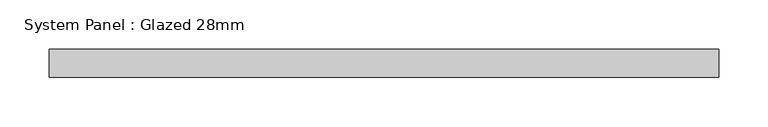
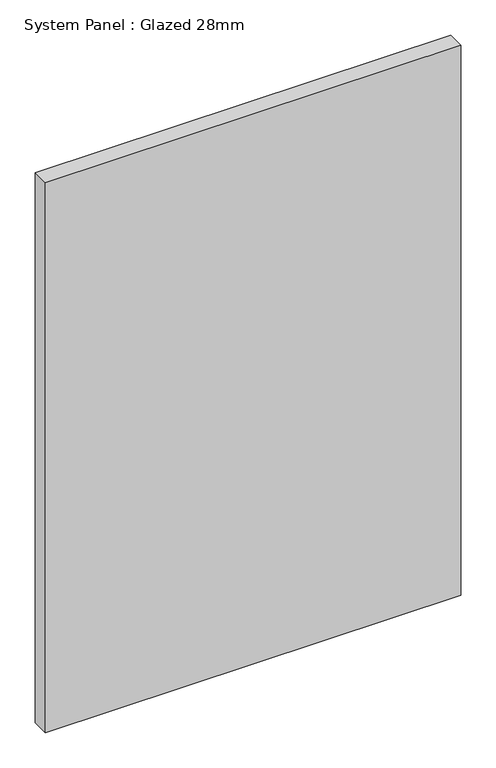
"""IFC4 building model written with IfcOpenShell, lengths in millimetres: plate geometry, System Panel : Glazed 28mm."""

from ifc_helpers import new_model, si_unit, origin, origin_with_axes, place, context, project, spatial, polyline, outline, extrude, source, transform, mapped, element, save


def system_panel_glazed_28mm_6bc7e79d(model_context):
    return source(origin(), model_context, "Body", "SweptSolid", [
        extrude(outline(polyline([(338.7808018, -14.0), (-338.7808018, -14.0), (-338.7808018, 14.0), (338.7808018, 14.0), (338.7808018, -14.0)])), origin_with_axes(), (0.0, 0.0, 1.0), 948.6822597),
    ])


if __name__ == "__main__":
    model = new_model("IFC4")
    model_context = context("Model", 3, world=origin())
    ifc_project = project(units=[si_unit("LENGTHUNIT", "METRE", prefix="MILLI")], contexts=[model_context])
    site = spatial("IfcSite", under=ifc_project)
    building = spatial("IfcBuilding", under=site)
    placement = place(None, origin())
    system_panel_glazed_28mm_shape = system_panel_glazed_28mm_6bc7e79d(model_context)
    element("IfcPlate", 1, ObjectType="System Panel : Glazed 28mm", at=placement, inside=building, context=model_context, shape_type="MappedRepresentation", body=[
        mapped(system_panel_glazed_28mm_shape, transform((0.0, 0.0, 0.0), x_axis=(1.0, 0.0, 0.0), y_axis=(0.0, 1.0, 0.0), z_axis=(0.0, 0.0, 1.0))),
    ])
    save(model, "model.ifc")
